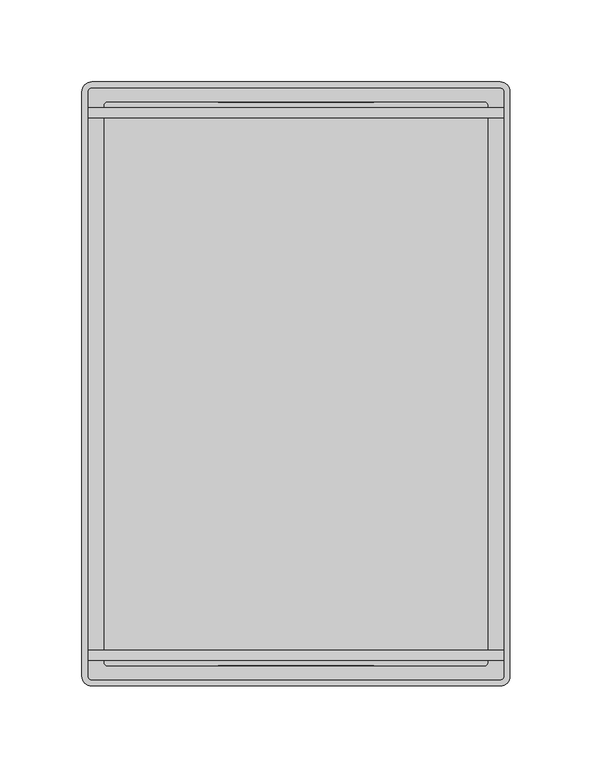
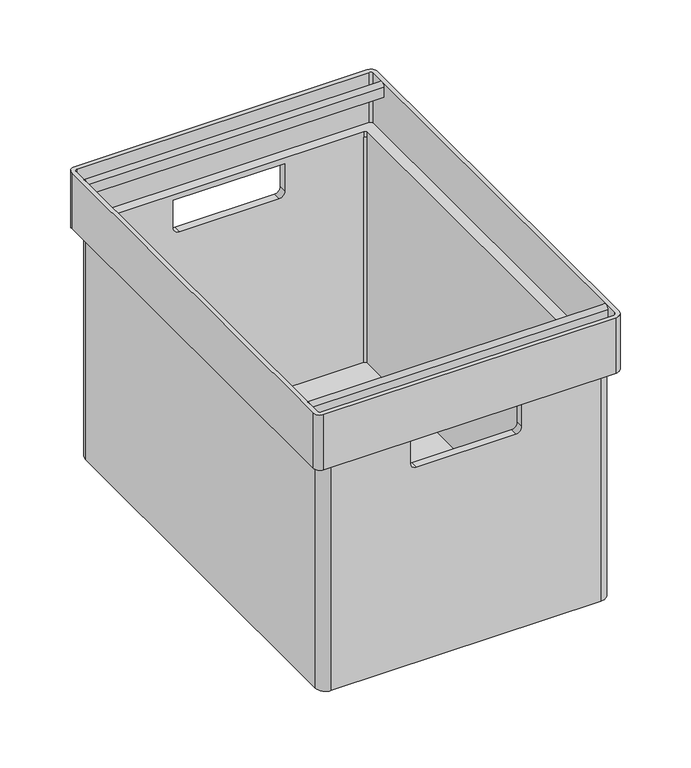
"""IFC4 building model written with IfcOpenShell, lengths in millimetres: furniture geometry."""

from ifc_helpers import new_model, si_unit, point, frame, frame_2d, origin, place, context, project, spatial, polyline, circle_curve, trimmed, segment, composite_curve, outline, extrude, source, transform, mapped, element, save
from ifc_brep_helpers import plane_surface, cylinder_surface, revolved_surface, advanced_brep


def furniture_84dd0b83(model_context):
    return source(origin(), model_context, "Body", "SolidModel", [
        extrude(outline(composite_curve([segment(polyline([(15.8435052, 244.0), (15.8435052, 253.0)]), True, "CONTINUOUS"), segment(trimmed(circle_curve(frame_2d((18.8435052, 253.0)), 3.0), [point((15.8435052, 253.0))], [point((21.8435052, 253.0))], False, "CARTESIAN"), True, "CONTINUOUS"), segment(polyline([(21.8435052, 253.0), (21.8435052, 244.0), (15.8435052, 244.0)]), True, "CONTINUOUS")], self_intersect=False)), frame((-126.7429658, 0.0, 0.0), z_axis=(1.0, 0.0, 0.0), x_axis=(0.0, 1.0, 0.0)), (0.0, 0.0, 1.0), 253.4858917),
        extrude(outline(composite_curve([segment(polyline([(346.8212343, 244.0), (346.8212343, 253.0)]), True, "CONTINUOUS"), segment(trimmed(circle_curve(frame_2d((349.8212343, 253.0)), 3.0), [point((346.8212343, 253.0))], [point((352.8212343, 253.0))], False, "CARTESIAN"), True, "CONTINUOUS"), segment(polyline([(352.8212343, 253.0), (352.8212343, 244.0), (346.8212343, 244.0)]), True, "CONTINUOUS")], self_intersect=False)), frame((-126.7429658, 0.0, 0.0), z_axis=(1.0, 0.0, 0.0), x_axis=(0.0, 1.0, 0.0)), (0.0, 0.0, 1.0), 253.4858917),
        advanced_brep(
        [(114.982071, 5.7194758, 0.0), (-114.9821078, 5.7194758, 0.0), (-123.612909, 14.3502769, 0.0), (-123.612909, 354.3502769, 0.0), (-115.0179245, 362.9452614, 0.0), (115.0178948, 362.9452614, 0.0), (123.6128754, 354.3502809, 0.0), (123.6128754, 14.3502802, 0.0), (114.982071, 5.7194758, 206.0), (47.4999832, 5.7194758, 206.0), (47.4999832, 5.7194758, 181.0), (42.4999832, 5.7194758, 176.0), (-42.5000168, 5.7194758, 176.0), (-47.5000168, 5.7194758, 181.0), (-47.5000168, 5.7194758, 206.0), (-114.9821078, 5.7194758, 206.0), (-123.612909, 14.3502769, 206.0), (-123.612909, 354.3502769, 206.0), (-115.0179245, 362.9452614, 206.0), (-47.5000168, 362.9452614, 206.0), (-47.5000168, 362.9452614, 181.0), (-42.5000168, 362.9452614, 176.0), (42.4999832, 362.9452614, 176.0), (47.4999832, 362.9452614, 181.0), (47.4999832, 362.9452614, 206.0), (115.0178948, 362.9452614, 206.0), (123.6128754, 354.3502809, 206.0), (123.6128754, 14.3502802, 206.0), (-115.0179245, 356.3452614, 206.0), (-117.012909, 354.3502769, 206.0), (-117.012909, 354.3502769, 3.0), (-115.0179245, 356.3452614, 3.0), (-117.012909, 354.3502769, 211.0), (-117.012909, 14.3502769, 211.0), (-117.012909, 14.3502769, 206.0), (-117.012909, 14.3502769, 3.0), (-114.9821078, 12.3194758, 206.0), (-114.9821078, 12.3194758, 3.0), (-114.9821078, 12.3194758, 211.0), (114.982071, 12.3194758, 211.0), (114.982071, 12.3194758, 206.0), (114.982071, 12.3194758, 3.0), (-47.5000168, 12.3194758, 181.0), (-42.5000168, 12.3194758, 176.0), (42.4999832, 12.3194758, 176.0), (47.4999832, 12.3194758, 181.0), (47.4999832, 12.3194758, 206.0), (-47.5000168, 12.3194758, 206.0), (117.0128754, 14.3502802, 206.0), (117.0128754, 14.3502802, 3.0), (117.0128754, 14.3502802, 211.0), (117.0128754, 354.3502809, 211.0), (117.0128754, 354.3502809, 206.0), (117.0128754, 354.3502809, 3.0), (115.0178948, 356.3452614, 206.0), (115.0178948, 356.3452614, 3.0), (115.0178948, 356.3452614, 211.0), (-115.0179245, 356.3452614, 211.0), (-47.5000168, 356.3452614, 206.0), (47.4999832, 356.3452614, 206.0), (47.4999832, 356.3452614, 181.0), (42.4999832, 356.3452614, 176.0), (-42.5000168, 356.3452614, 176.0), (-47.5000168, 356.3452614, 181.0), (-130.6129594, 362.7927468, 256.0), (-130.612966, 5.8719372, 256.0), (-124.7437822, 0.0027532, 256.0), (124.7436938, 0.0027532, 256.0), (130.6129323, 5.8719918, 256.0), (130.6129257, 362.7927468, 256.0), (124.7436887, 368.6619836, 256.0), (-124.7437224, 368.6619836, 256.0), (-126.7429594, 362.7927467, 256.0), (-124.7437224, 364.7919836, 256.0), (124.7436887, 364.7919836, 256.0), (126.7429257, 362.7927467, 256.0), (126.7429323, 5.8719918, 256.0), (124.7436938, 3.8727532, 256.0), (-124.7437822, 3.8727532, 256.0), (-126.742966, 5.8719371, 256.0), (-130.6129594, 362.7927468, 206.0), (-124.7437224, 368.6619836, 206.0), (124.7436887, 368.6619836, 206.0), (130.6129257, 362.7927468, 206.0), (130.6129323, 5.8719918, 206.0), (124.7436938, 0.0027532, 206.0), (-124.7437822, 0.0027532, 206.0), (-130.612966, 5.8719372, 206.0), (-126.742966, 5.8719371, 211.0), (-126.7429594, 362.7927467, 211.0), (-124.7437822, 3.8727532, 211.0), (124.7436938, 3.8727532, 211.0), (126.7429323, 5.8719918, 211.0), (126.7429257, 362.7927467, 211.0), (124.7436887, 364.7919836, 211.0), (-124.7437224, 364.7919836, 211.0)],
        [
            (0, 1),
            (1, 2, circle_curve(frame((-114.9821078, 14.3502769, 0.0), z_axis=(0.0, 0.0, -1.0), x_axis=(1.0, 0.0, 0.0)), 8.6308012)),
            (2, 3),
            (3, 4, circle_curve(frame((-115.0179245, 354.3502769, 0.0), z_axis=(0.0, 0.0, -1.0), x_axis=(1.0, 0.0, 0.0)), 8.5949845)),
            (4, 5),
            (5, 6, circle_curve(frame((115.0178948, 354.3502809, 0.0), z_axis=(0.0, 0.0, -1.0), x_axis=(1.0, 0.0, 0.0)), 8.5949806)),
            (6, 7),
            (7, 0, circle_curve(frame((114.982071, 14.3502802, 0.0), z_axis=(0.0, 0.0, -1.0), x_axis=(1.0, 0.0, 0.0)), 8.6308044)),
            (0, 8),
            (8, 9),
            (9, 10),
            (10, 11, circle_curve(frame((42.4999832, 5.7194758, 181.0), z_axis=(0.0, 1.0, 0.0), x_axis=(0.7071067811865476, 0.0, -0.7071067811865476)), 5.0)),
            (11, 12),
            (12, 13, circle_curve(frame((-42.5000168, 5.7194758, 181.0), z_axis=(0.0, 1.0, 0.0), x_axis=(-0.7071067811865476, 0.0, -0.7071067811865476)), 5.0)),
            (13, 14),
            (14, 15),
            (15, 1),
            (15, 16, circle_curve(frame((-114.9821078, 14.3502769, 206.0), z_axis=(0.0, 0.0, -1.0), x_axis=(1.0, 0.0, 0.0)), 8.6308012)),
            (16, 2),
            (16, 17),
            (17, 3),
            (17, 18, circle_curve(frame((-115.0179245, 354.3502769, 206.0), z_axis=(0.0, 0.0, -1.0), x_axis=(1.0, 0.0, 0.0)), 8.5949845)),
            (18, 4),
            (18, 19),
            (19, 20),
            (20, 21, circle_curve(frame((-42.5000168, 362.9452614, 181.0), z_axis=(0.0, -1.0, 0.0), x_axis=(-0.7071067811865476, 0.0, -0.7071067811865476)), 5.0)),
            (21, 22),
            (22, 23, circle_curve(frame((42.4999832, 362.9452614, 181.0), z_axis=(0.0, -1.0, 0.0), x_axis=(0.7071067811865476, 0.0, -0.7071067811865476)), 5.0)),
            (23, 24),
            (24, 25),
            (25, 5),
            (25, 26, circle_curve(frame((115.0178948, 354.3502809, 206.0), z_axis=(0.0, 0.0, -1.0), x_axis=(1.0, 0.0, 0.0)), 8.5949806)),
            (26, 6),
            (26, 27),
            (27, 7),
            (27, 8, circle_curve(frame((114.982071, 14.3502802, 206.0), z_axis=(0.0, 0.0, -1.0), x_axis=(1.0, 0.0, 0.0)), 8.6308044)),
            (28, 29, circle_curve(frame((-115.0179245, 354.3502769, 206.0), z_axis=(0.0, 0.0, 1.0), x_axis=(1.0, 0.0, 0.0)), 1.9949845)),
            (29, 30),
            (30, 31, circle_curve(frame((-115.0179245, 354.3502769, 3.0), z_axis=(0.0, 0.0, -1.0), x_axis=(1.0, 0.0, 0.0)), 1.9949845)),
            (31, 28),
            (29, 32),
            (32, 33),
            (33, 34),
            (34, 35),
            (35, 30),
            (34, 36, circle_curve(frame((-114.9821078, 14.3502769, 206.0), z_axis=(0.0, 0.0, 1.0), x_axis=(1.0, 0.0, 0.0)), 2.0308012)),
            (36, 37),
            (37, 35, circle_curve(frame((-114.9821078, 14.3502769, 3.0), z_axis=(0.0, 0.0, -1.0), x_axis=(1.0, 0.0, 0.0)), 2.0308012)),
            (36, 38),
            (38, 39),
            (39, 40),
            (40, 41),
            (41, 37),
            (42, 43, circle_curve(frame((-42.5000168, 12.3194758, 181.0), z_axis=(0.0, -1.0, 0.0), x_axis=(-0.7071067811865476, 0.0, -0.7071067811865476)), 5.0)),
            (43, 44),
            (44, 45, circle_curve(frame((42.4999832, 12.3194758, 181.0), z_axis=(0.0, -1.0, 0.0), x_axis=(0.7071067811865476, 0.0, -0.7071067811865476)), 5.0)),
            (45, 46),
            (46, 47),
            (47, 42),
            (40, 48, circle_curve(frame((114.982071, 14.3502802, 206.0), z_axis=(0.0, 0.0, 1.0), x_axis=(1.0, 0.0, 0.0)), 2.0308044)),
            (48, 49),
            (49, 41, circle_curve(frame((114.982071, 14.3502802, 3.0), z_axis=(0.0, 0.0, -1.0), x_axis=(1.0, 0.0, 0.0)), 2.0308044)),
            (48, 50),
            (50, 51),
            (51, 52),
            (52, 53),
            (53, 49),
            (52, 54, circle_curve(frame((115.0178948, 354.3502809, 206.0), z_axis=(0.0, 0.0, 1.0), x_axis=(1.0, 0.0, 0.0)), 1.9949806)),
            (54, 55),
            (55, 53, circle_curve(frame((115.0178948, 354.3502809, 3.0), z_axis=(0.0, 0.0, -1.0), x_axis=(1.0, 0.0, 0.0)), 1.9949806)),
            (31, 55),
            (54, 56),
            (56, 57),
            (57, 28),
            (58, 59),
            (59, 60),
            (60, 61, circle_curve(frame((42.4999832, 356.3452614, 181.0), z_axis=(0.0, 1.0, 0.0), x_axis=(0.7071067811865476, 0.0, -0.7071067811865476)), 5.0)),
            (61, 62),
            (62, 63, circle_curve(frame((-42.5000168, 356.3452614, 181.0), z_axis=(0.0, 1.0, 0.0), x_axis=(-0.7071067811865476, 0.0, -0.7071067811865476)), 5.0)),
            (63, 58),
            (13, 42),
            (47, 14),
            (63, 20),
            (19, 58),
            (12, 43),
            (62, 21),
            (11, 44),
            (61, 22),
            (10, 45),
            (60, 23),
            (9, 46),
            (59, 24),
            (64, 65),
            (65, 66, circle_curve(frame((-124.7437822, 5.8719371, 256.0), z_axis=(0.0, 0.0, 1.0), x_axis=(-0.7071066694437559, -0.7071068929293217, 0.0)), 5.8691838)),
            (66, 67),
            (67, 68, circle_curve(frame((124.7436938, 5.8719917, 256.0), z_axis=(0.0, 0.0, 1.0), x_axis=(0.7070971226495167, -0.7071164395916518, 0.0)), 5.8692385)),
            (68, 69),
            (69, 70, circle_curve(frame((124.7436887, 362.7927466, 256.0), z_axis=(0.0, 0.0, 1.0), x_axis=(0.707107135781973, 0.7071064265909442, 0.0)), 5.869237)),
            (70, 71),
            (71, 64, circle_curve(frame((-124.7437224, 362.7927466, 256.0), z_axis=(0.0, 0.0, 1.0), x_axis=(-0.7071071357819734, 0.707106426590944, 0.0)), 5.869237)),
            (72, 73, circle_curve(frame((-124.7437224, 362.7927466, 256.0), z_axis=(0.0, 0.0, -1.0), x_axis=(-0.7071071357819734, 0.707106426590944, 0.0)), 1.999237)),
            (73, 74),
            (74, 75, circle_curve(frame((124.7436887, 362.7927466, 256.0), z_axis=(0.0, 0.0, -1.0), x_axis=(0.707107135781973, 0.7071064265909442, 0.0)), 1.999237)),
            (75, 76),
            (76, 77, circle_curve(frame((124.7436938, 5.8719917, 256.0), z_axis=(0.0, 0.0, -1.0), x_axis=(0.7070971226495167, -0.7071164395916518, 0.0)), 1.9992385)),
            (77, 78),
            (78, 79, circle_curve(frame((-124.7437822, 5.8719371, 256.0), z_axis=(0.0, 0.0, -1.0), x_axis=(-0.7071066694437559, -0.7071068929293217, 0.0)), 1.9991838)),
            (79, 72),
            (80, 81, circle_curve(frame((-124.7437224, 362.7927466, 206.0), z_axis=(0.0, 0.0, -1.0), x_axis=(-0.7071071357819734, 0.707106426590944, 0.0)), 5.869237)),
            (81, 82),
            (82, 83, circle_curve(frame((124.7436887, 362.7927466, 206.0), z_axis=(0.0, 0.0, -1.0), x_axis=(0.707107135781973, 0.7071064265909442, 0.0)), 5.869237)),
            (83, 84),
            (84, 85, circle_curve(frame((124.7436938, 5.8719917, 206.0), z_axis=(0.0, 0.0, -1.0), x_axis=(0.7070971226495167, -0.7071164395916518, 0.0)), 5.8692385)),
            (85, 86),
            (86, 87, circle_curve(frame((-124.7437822, 5.8719371, 206.0), z_axis=(0.0, 0.0, -1.0), x_axis=(-0.7071066694437559, -0.7071068929293217, 0.0)), 5.8691838)),
            (87, 80),
            (79, 88),
            (88, 89),
            (89, 72),
            (78, 90),
            (90, 88, circle_curve(frame((-124.7437822, 5.8719371, 211.0), z_axis=(0.0, 0.0, -1.0), x_axis=(-0.7071066694437559, -0.7071068929293217, 0.0)), 1.9991838)),
            (77, 91),
            (91, 90),
            (76, 92),
            (92, 91, circle_curve(frame((124.7436938, 5.8719917, 211.0), z_axis=(0.0, 0.0, -1.0), x_axis=(0.7070971226495167, -0.7071164395916518, 0.0)), 1.9992385)),
            (75, 93),
            (93, 92),
            (74, 94),
            (94, 93, circle_curve(frame((124.7436887, 362.7927466, 211.0), z_axis=(0.0, 0.0, -1.0), x_axis=(0.707107135781973, 0.7071064265909442, 0.0)), 1.999237)),
            (73, 95),
            (95, 94),
            (89, 95, circle_curve(frame((-124.7437224, 362.7927466, 211.0), z_axis=(0.0, 0.0, -1.0), x_axis=(-0.7071071357819734, 0.707106426590944, 0.0)), 1.999237)),
            (71, 81),
            (80, 64),
            (70, 82),
            (69, 83),
            (68, 84),
            (67, 85),
            (66, 86),
            (65, 87),
            (32, 57, circle_curve(frame((-115.0179245, 354.3502769, 211.0), z_axis=(0.0, 0.0, -1.0), x_axis=(1.0, 0.0, 0.0)), 1.9949845)),
            (56, 51, circle_curve(frame((115.0178948, 354.3502809, 211.0), z_axis=(0.0, 0.0, -1.0), x_axis=(1.0, 0.0, 0.0)), 1.9949806)),
            (50, 39, circle_curve(frame((114.982071, 14.3502802, 211.0), z_axis=(0.0, 0.0, -1.0), x_axis=(1.0, 0.0, 0.0)), 2.0308044)),
            (38, 33, circle_curve(frame((-114.9821078, 14.3502769, 211.0), z_axis=(0.0, 0.0, -1.0), x_axis=(1.0, 0.0, 0.0)), 2.0308012)),
        ],
        [
            plane_surface(frame((-115.017929, 5.7194758, 0.0), z_axis=(0.0, 0.0, -1.0), x_axis=(1.0, 0.0, 0.0))),
            plane_surface(frame((114.982071, 5.7194758, 206.0), z_axis=(0.0, -1.0, 0.0), x_axis=(0.0, 0.0, -1.0))),
            cylinder_surface(frame((-114.9821078, 14.3502769, 0.0), z_axis=(0.0, 0.0, 1.0), x_axis=(1.0, 0.0, 0.0)), 8.6308012),
            plane_surface(frame((-123.612909, 14.3502769, 206.0), z_axis=(-1.0, 0.0, 0.0), x_axis=(0.0, 0.0, -1.0))),
            cylinder_surface(frame((-115.0179245, 354.3502769, 0.0), z_axis=(0.0, 0.0, 1.0), x_axis=(1.0, 0.0, 0.0)), 8.5949845),
            plane_surface(frame((-115.0179245, 362.9452614, 206.0), z_axis=(0.0, 1.0, 0.0), x_axis=(0.0, 0.0, -1.0))),
            cylinder_surface(frame((115.0178948, 354.3502809, 0.0), z_axis=(0.0, 0.0, 1.0), x_axis=(1.0, 0.0, 0.0)), 8.5949806),
            plane_surface(frame((123.6128754, 354.3502809, 206.0), z_axis=(1.0, 0.0, 0.0), x_axis=(0.0, 0.0, -1.0))),
            cylinder_surface(frame((114.982071, 14.3502802, 0.0), z_axis=(0.0, 0.0, 1.0), x_axis=(1.0, 0.0, 0.0)), 8.6308044),
            revolved_surface(polyline([(-113.02294, 354.3502769, 3.0), (-113.02294, 354.3502769, 206.0)]), (-115.0179245, 354.3502769, 0.0), (0.0, 0.0, -1.0)),
            plane_surface(frame((-117.012909, 354.3502769, 206.0), z_axis=(1.0, 0.0, 0.0), x_axis=(0.0, 0.0, -1.0))),
            revolved_surface(polyline([(-112.9513066, 14.3502769, 3.0), (-112.9513066, 14.3502769, 206.0)]), (-114.9821078, 14.3502769, 0.0), (0.0, 0.0, -1.0)),
            plane_surface(frame((-114.9821078, 12.3194758, 206.0), z_axis=(0.0, 1.0, 0.0), x_axis=(0.0, 0.0, -1.0))),
            revolved_surface(polyline([(117.0128754, 14.3502802, 3.0), (117.0128754, 14.3502802, 206.0)]), (114.982071, 14.3502802, 0.0), (0.0, 0.0, -1.0)),
            plane_surface(frame((117.0128754, 14.3502802, 206.0), z_axis=(-1.0, 0.0, 0.0), x_axis=(0.0, 0.0, -1.0))),
            revolved_surface(polyline([(117.0128754, 354.3502809, 3.0), (117.0128754, 354.3502809, 206.0)]), (115.0178948, 354.3502809, 0.0), (0.0, 0.0, -1.0)),
            plane_surface(frame((115.0178948, 356.3452614, 206.0), z_axis=(0.0, -1.0, 0.0), x_axis=(0.0, 0.0, -1.0))),
            plane_surface(frame((-117.012909, 354.3502769, 3.0), z_axis=(0.0, 0.0, 1.0), x_axis=(0.0, 1.0, 0.0))),
            plane_surface(frame((-47.5000168, 368.6647369, 206.0), z_axis=(1.0, 0.0, 0.0), x_axis=(0.0, -1.0, 0.0))),
            revolved_surface(polyline([(-46.035550705932735, 12.319475800000006, 177.46446609406726), (-46.035550705932735, 5.719475800000001, 177.46446609406726)]), (-42.5000168, 0.0, 181.0), (0.0, 1.0000000000000002, 0.0)),
            revolved_surface(polyline([(-46.035550705932735, 362.9452614000001, 177.46446609406726), (-46.035550705932735, 356.34526140000014, 177.46446609406726)]), (-42.5000168, 0.0, 181.0), (0.0, 1.0000000000000002, 0.0)),
            plane_surface(frame((-42.5000168, 368.6647369, 176.0), z_axis=(0.0, 0.0, 1.0), x_axis=(0.0, -1.0, 0.0))),
            revolved_surface(polyline([(46.03551710593274, 12.319475800000006, 177.46446609406726), (46.03551710593274, 5.719475800000001, 177.46446609406726)]), (42.4999832, 0.0, 181.0), (0.0, 1.0000000000000002, 0.0)),
            revolved_surface(polyline([(46.03551710593274, 362.9452614000001, 177.46446609406726), (46.03551710593274, 356.34526140000014, 177.46446609406726)]), (42.4999832, 0.0, 181.0), (0.0, 1.0000000000000002, 0.0)),
            plane_surface(frame((47.4999832, 368.6647369, 181.0), z_axis=(-1.0, 0.0, 0.0), x_axis=(0.0, -1.0, 0.0))),
            plane_surface(frame((-126.742966, 5.8719371, 256.0), z_axis=(0.0, 0.0, 1.0000000000000002), x_axis=(-1.8490569476654465e-08, -0.9999999999999999, 0.0))),
            plane_surface(frame((-126.742966, 5.8719371, 206.0), z_axis=(0.0, 0.0, -1.0000000000000002), x_axis=(1.8490569476654465e-08, 0.9999999999999999, 0.0))),
            plane_surface(frame((-126.7429594, 362.7927467, 256.0), z_axis=(0.9999999999999999, -1.8490569476654465e-08, 0.0), x_axis=(0.0, 0.0, -1.0))),
            revolved_surface(polyline([(-126.15741839842391, 4.4583004547873655, 211.0), (-126.15741839842391, 4.4583004547873655, 256.0)]), (-124.7437822, 5.8719371, 206.0), (0.0, 0.0, -1.0000000000000002)),
            plane_surface(frame((-124.7437822, 3.8727532, 256.0), z_axis=(0.0, 1.0, 0.0), x_axis=(0.0, 0.0, -1.0))),
            revolved_surface(polyline([(126.15734959084014, 4.458297289985445, 211.0), (126.15734959084014, 4.458297289985445, 256.0)]), (124.7436938, 5.8719917, 206.0), (0.0, 0.0, -1.0)),
            plane_surface(frame((126.7429323, 5.8719918, 256.0), z_axis=(-0.9999999999999999, -1.8490838391789205e-08, 0.0), x_axis=(0.0, 0.0, -1.0))),
            revolved_surface(polyline([(126.15736344881935, 364.20641993097837, 211.0), (126.15736344881935, 364.20641993097837, 256.0)]), (124.7436887, 362.7927466, 206.0), (0.0, 0.0, -1.0)),
            plane_surface(frame((124.7436887, 364.7919836, 256.0), z_axis=(0.0, -1.0, 0.0), x_axis=(0.0, 0.0, -1.0))),
            revolved_surface(polyline([(-126.15739714881934, 364.20641993097837, 211.0), (-126.15739714881934, 364.20641993097837, 256.0)]), (-124.7437224, 362.7927466, 206.0), (0.0, 0.0, -1.0000000000000002)),
            cylinder_surface(frame((-124.7437224, 362.7927466, 0.0), z_axis=(0.0, 0.0, 1.0000000000000002), x_axis=(-0.7071071357819734, 0.707106426590944, 0.0)), 5.869237),
            plane_surface(frame((-124.7437224, 368.6619836, 256.0), z_axis=(0.0, 1.0, 0.0), x_axis=(0.0, 0.0, -1.0))),
            cylinder_surface(frame((124.7436887, 362.7927466, 0.0), z_axis=(0.0, 0.0, 1.0), x_axis=(0.707107135781973, 0.7071064265909442, 0.0)), 5.869237),
            plane_surface(frame((130.6129257, 362.7927468, 256.0), z_axis=(0.9999999999999999, 1.8490838391789198e-08, 0.0), x_axis=(0.0, 0.0, -1.0))),
            cylinder_surface(frame((124.7436938, 5.8719917, 0.0), z_axis=(0.0, 0.0, 1.0), x_axis=(0.7070971226495167, -0.7071164395916518, 0.0)), 5.8692385),
            plane_surface(frame((124.7436938, 0.0027532, 256.0), z_axis=(0.0, -1.0, 0.0), x_axis=(0.0, 0.0, -1.0))),
            cylinder_surface(frame((-124.7437822, 5.8719371, 0.0), z_axis=(0.0, 0.0, 1.0000000000000002), x_axis=(-0.7071066694437559, -0.7071068929293217, 0.0)), 5.8691838),
            plane_surface(frame((-130.612966, 5.8719372, 256.0), z_axis=(-0.9999999999999999, 1.8490569476654465e-08, 0.0), x_axis=(0.0, 0.0, -1.0))),
            plane_surface(frame((-126.7429594, 362.7927467, 211.0), z_axis=(0.0, 0.0, 1.0000000000000002), x_axis=(1.8490457032207676e-08, 0.9999999999999999, 0.0))),
            revolved_surface(polyline([(-112.9513066, 14.3502769, 206.0), (-112.9513066, 14.3502769, 211.0)]), (-114.9821078, 14.3502769, 0.0), (0.0, 0.0, -1.0)),
            revolved_surface(polyline([(117.0128754, 14.3502802, 206.0), (117.0128754, 14.3502802, 211.0)]), (114.982071, 14.3502802, 0.0), (0.0, 0.0, -1.0)),
            revolved_surface(polyline([(117.0128754, 354.3502809, 206.0), (117.0128754, 354.3502809, 211.0)]), (115.0178948, 354.3502809, 0.0), (0.0, 0.0, -1.0)),
            revolved_surface(polyline([(-113.02294, 354.3502769, 206.0), (-113.02294, 354.3502769, 211.0)]), (-115.0179245, 354.3502769, 0.0), (0.0, 0.0, -1.0)),
        ],
        [
            (0, [[1, 2, 3, 4, 5, 6, 7, 8]]),
            (1, [[9, 10, 11, 12, 13, 14, 15, 16, 17, -1]]),
            (2, [[-17, 18, 19, -2]]),
            (3, [[-19, 20, 21, -3]]),
            (4, [[-21, 22, 23, -4]]),
            (5, [[-23, 24, 25, 26, 27, 28, 29, 30, 31, -5]]),
            (6, [[-31, 32, 33, -6]]),
            (7, [[-33, 34, 35, -7]]),
            (8, [[-35, 36, -9, -8]]),
            (9, [[37, 38, 39, 40]]),
            (10, [[41, 42, 43, 44, 45, -38]]),
            (11, [[46, 47, 48, -44]]),
            (12, [[49, 50, 51, 52, 53, -47], [54, 55, 56, 57, 58, 59]]),
            (13, [[60, 61, 62, -52]]),
            (14, [[63, 64, 65, 66, 67, -61]]),
            (15, [[68, 69, 70, -66]]),
            (16, [[71, -69, 72, 73, 74, -40], [75, 76, 77, 78, 79, 80]]),
            (17, [[-45, -48, -53, -62, -67, -70, -71, -39]]),
            (18, [[-15, 81, -59, 82]]),
            (18, [[-80, 83, -25, 84]]),
            (19, [[-14, 85, -54, -81]]),
            (20, [[-79, 86, -26, -83]]),
            (21, [[-13, 87, -55, -85]]),
            (21, [[-78, 88, -27, -86]]),
            (22, [[-12, 89, -56, -87]]),
            (23, [[-77, 90, -28, -88]]),
            (24, [[-11, 91, -57, -89]]),
            (24, [[-76, 92, -29, -90]]),
            (25, [[93, 94, 95, 96, 97, 98, 99, 100], [101, 102, 103, 104, 105, 106, 107, 108]]),
            (26, [[109, 110, 111, 112, 113, 114, 115, 116], [-16, -82, -58, -91, -10, -36, -34, -32, -30, -92, -75, -84, -24, -22, -20, -18]]),
            (27, [[117, 118, 119, -108]]),
            (28, [[120, 121, -117, -107]]),
            (29, [[122, 123, -120, -106]]),
            (30, [[124, 125, -122, -105]]),
            (31, [[126, 127, -124, -104]]),
            (32, [[128, 129, -126, -103]]),
            (33, [[130, 131, -128, -102]]),
            (34, [[-119, 132, -130, -101]]),
            (35, [[133, -109, 134, -100]]),
            (36, [[135, -110, -133, -99]]),
            (37, [[136, -111, -135, -98]]),
            (38, [[137, -112, -136, -97]]),
            (39, [[138, -113, -137, -96]]),
            (40, [[139, -114, -138, -95]]),
            (41, [[140, -115, -139, -94]]),
            (42, [[-134, -116, -140, -93]]),
            (43, [[-121, -123, -125, -127, -129, -131, -132, -118], [-42, 141, -73, 142, -64, 143, -50, 144]]),
            (44, [[-49, -46, -43, -144]]),
            (45, [[-63, -60, -51, -143]]),
            (46, [[-72, -68, -65, -142]]),
            (47, [[-41, -37, -74, -141]]),
        ],
    ),
    ])


if __name__ == "__main__":
    model = new_model("IFC4")
    model_context = context("Model", 3, world=origin())
    ifc_project = project(units=[si_unit("LENGTHUNIT", "METRE", prefix="MILLI")], contexts=[model_context])
    site = spatial("IfcSite", under=ifc_project)
    building = spatial("IfcBuilding", under=site)
    placement = place(None, origin())
    furniture_shape = furniture_84dd0b83(model_context)
    element("IfcFurniture", 1, at=placement, inside=building, context=model_context, shape_type="MappedRepresentation", body=[
        mapped(furniture_shape, transform((0.0, 0.0, 0.0), x_axis=(1.0, 0.0, 0.0), y_axis=(0.0, 1.0, 0.0), z_axis=(0.0, 0.0, 1.0))),
    ])
    save(model, "model.ifc")
